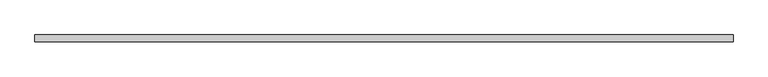
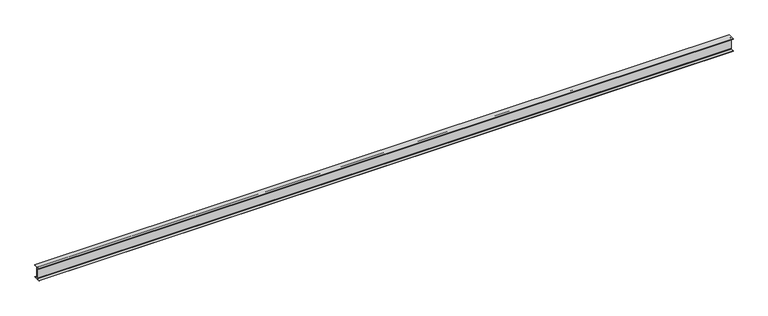
"""IFC4 building model written with IfcOpenShell, lengths in millimetres: beam geometry."""

from ifc_helpers import new_model, si_unit, point, frame, frame_2d, origin, place, context, project, spatial, polyline, circle_curve, trimmed, segment, composite_curve, outline, extrude, source, transform, mapped, element, save


def beam_885fa076(model_context):
    return source(origin(), model_context, "Body", "SweptSolid", [
        extrude(outline(composite_curve([segment(polyline([(82.5, -141.8), (82.5, -152.0), (-82.5, -152.0), (-82.5, -141.8), (-14.45, -141.8)]), True, "CONTINUOUS"), segment(trimmed(circle_curve(frame_2d((-14.45, -130.4)), 11.4), [point((-14.45, -141.8))], [point((-3.05, -130.4))], True, "CARTESIAN"), True, "CONTINUOUS"), segment(polyline([(-3.05, -130.4), (-3.05, 130.4)]), True, "CONTINUOUS"), segment(trimmed(circle_curve(frame_2d((-14.45, 130.4)), 11.4), [point((-3.05, 130.4))], [point((-14.45, 141.8))], True, "CARTESIAN"), True, "CONTINUOUS"), segment(polyline([(-14.45, 141.8), (-82.5, 141.8), (-82.5, 152.0), (82.5, 152.0), (82.5, 141.8), (14.45, 141.8)]), True, "CONTINUOUS"), segment(trimmed(circle_curve(frame_2d((14.45, 130.4)), 11.4), [point((14.45, 141.8))], [point((3.05, 130.4))], True, "CARTESIAN"), True, "CONTINUOUS"), segment(polyline([(3.05, 130.4), (3.05, -130.4)]), True, "CONTINUOUS"), segment(trimmed(circle_curve(frame_2d((14.45, -130.4)), 11.4), [point((3.05, -130.4))], [point((14.45, -141.8))], True, "CARTESIAN"), True, "CONTINUOUS"), segment(polyline([(14.45, -141.8), (82.5, -141.8)]), True, "CONTINUOUS")], self_intersect=False)), frame((-8119.0, 0.0, 0.0), z_axis=(1.0, 0.0, 0.0), x_axis=(0.0, 1.0, 0.0)), (0.0, 0.0, 1.0), 16359.0),
    ])


if __name__ == "__main__":
    model = new_model("IFC4")
    model_context = context("Model", 3, world=origin())
    ifc_project = project(units=[si_unit("LENGTHUNIT", "METRE", prefix="MILLI")], contexts=[model_context])
    site = spatial("IfcSite", under=ifc_project)
    building = spatial("IfcBuilding", under=site)
    placement = place(None, origin())
    beam_shape = beam_885fa076(model_context)
    element("IfcBeam", 1, at=placement, inside=building, context=model_context, shape_type="MappedRepresentation", body=[
        mapped(beam_shape, transform((0.0, 0.0, 0.0), x_axis=(1.0, 0.0, 0.0), y_axis=(0.0, 1.0, 0.0), z_axis=(0.0, 0.0, 1.0))),
    ])
    save(model, "model.ifc")
